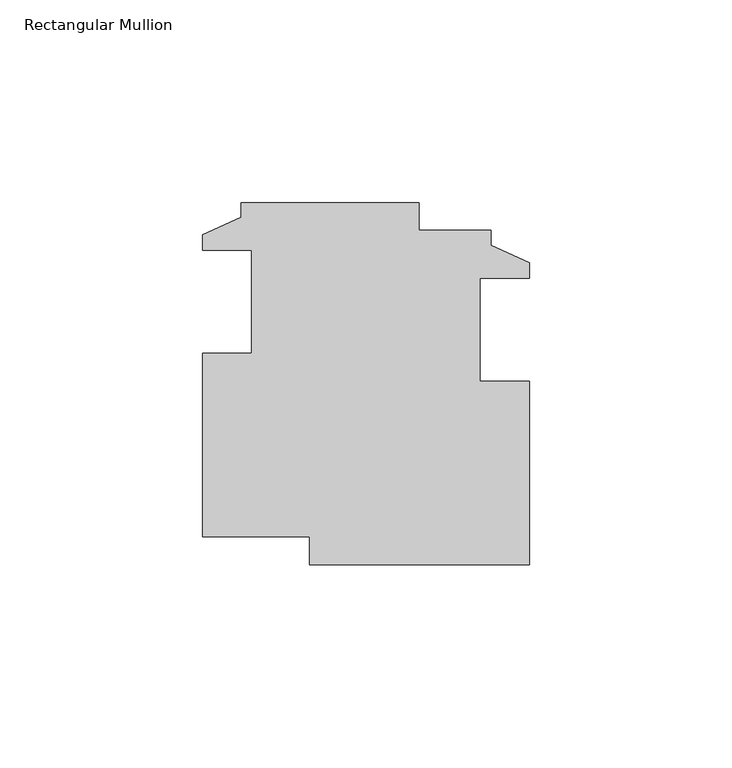
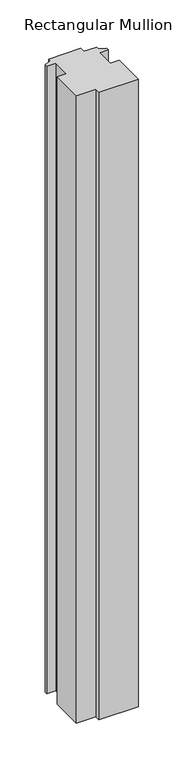
"""IFC4 building model written with IfcOpenShell, lengths in millimetres: member geometry, Rectangular Mullion."""

from ifc_helpers import new_model, si_unit, frame, origin, place, context, project, spatial, polyline, outline, extrude, source, transform, mapped, element, save


def rectangular_mullion_4fcc5df2(model_context):
    return source(origin(), model_context, "Body", "SweptSolid", [
        extrude(outline(polyline([(44.7566338, 35.8792241), (54.2816338, 31.5612241), (54.2816338, 27.6496241), (42.0642338, 27.6496241), (42.0642338, 2.2496241), (54.2816338, 2.2496241), (54.2816338, -43.0639759), (-0.0743662, -43.0639759), (-0.0743662, -36.1551759), (-26.5691126, -36.1551759), (-26.5691126, 9.1584241), (-14.3517126, 9.1584241), (-14.3517126, 34.5584241), (-26.5691126, 34.5584241), (-26.5691126, 38.4700241), (-17.0441126, 42.7880241), (-17.0441126, 46.3948241), (26.9232874, 46.3948241), (26.9232874, 39.4860241), (44.7566338, 39.4860241), (44.7566338, 35.8792241)])), frame((0.0, 0.0, -914.4), z_axis=(0.0, 0.0, 1.0), x_axis=(1.0, 0.0, 0.0)), (0.0, 0.0, 1.0), 914.4),
    ])


if __name__ == "__main__":
    model = new_model("IFC4")
    model_context = context("Model", 3, world=origin())
    ifc_project = project(units=[si_unit("LENGTHUNIT", "METRE", prefix="MILLI")], contexts=[model_context])
    site = spatial("IfcSite", under=ifc_project)
    building = spatial("IfcBuilding", under=site)
    placement = place(None, origin())
    rectangular_mullion_shape = rectangular_mullion_4fcc5df2(model_context)
    element("IfcMember", 1, ObjectType="Rectangular Mullion", at=placement, inside=building, context=model_context, shape_type="MappedRepresentation", body=[
        mapped(rectangular_mullion_shape, transform((0.0, 0.0, 0.0), x_axis=(1.0, 0.0, 0.0), y_axis=(0.0, 1.0, 0.0), z_axis=(0.0, 0.0, 1.0))),
    ])
    save(model, "model.ifc")
